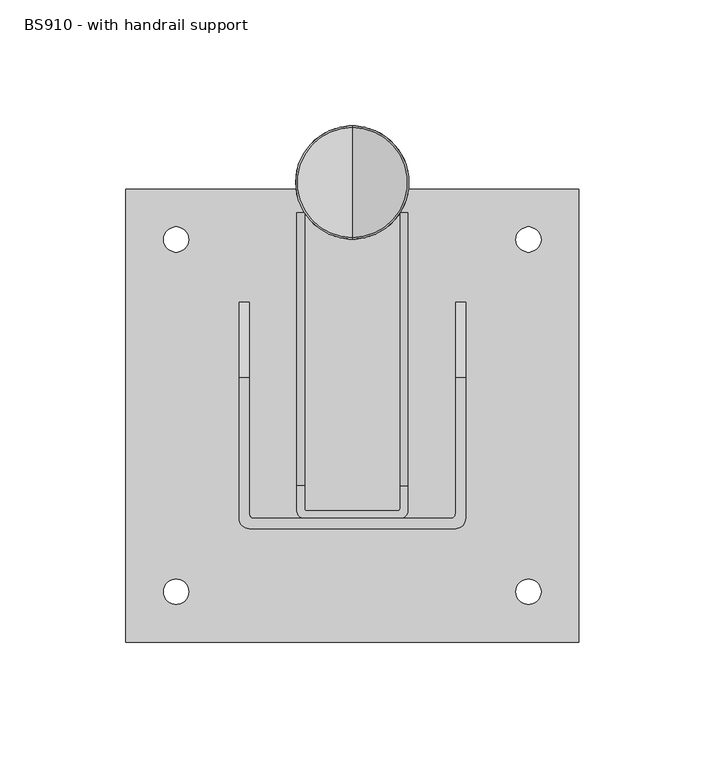
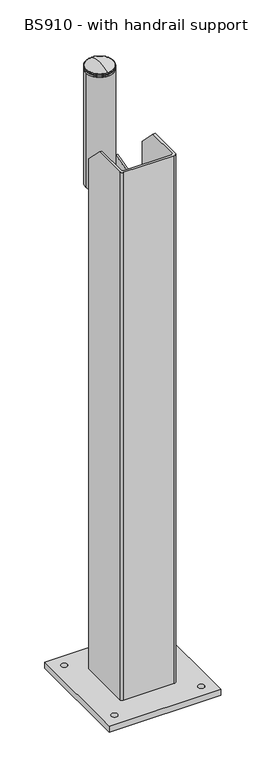
"""IFC4 building model written with IfcOpenShell, lengths in millimetres: proxy geometry, BS910 - with handrail support."""

import ifcopenshell
import ifcopenshell.guid

model = None  # the IFC model being written
_history = None  # IfcOwnerHistory: only IFC2X3 demands one
_inside = {}  # id of a spatial element -> (the spatial element, [elements in it])
_under = {}  # id of a project, library or spatial element -> (it, [spatial elements below it])
_declared = {}  # id of a project -> (the project, [libraries it declares])
_typed = {}  # id of a type object -> (the type object, [elements of that type])
_made_of = {}  # id of a material, layer set ... -> (it, [elements and type objects made of it])


def new_model(schema):
    """Start an empty IFC model of exactly this schema.

    Asked for "IFC4X3", IfcOpenShell would pick the latest addendum, in which some entities
    have other attributes; the version numbers below select the first issue.
    IFC2X3 requires an IfcOwnerHistory on every rooted entity: one is made here for all.
    """
    global model, _history
    if schema == "IFC4X3":
        model = ifcopenshell.file(schema_version=(4, 3, 0, 0))
    else:
        model = ifcopenshell.file(schema=schema)
    _inside.clear()
    _under.clear()
    _declared.clear()
    _typed.clear()
    _made_of.clear()
    _history = None
    if model.schema == "IFC2X3":
        org = make("IfcOrganization", Name="unknown")
        user = make(
            "IfcPersonAndOrganization",
            ThePerson=make("IfcPerson", FamilyName="unknown"),
            TheOrganization=org,
        )
        app = make(
            "IfcApplication",
            ApplicationDeveloper=org,
            Version="unknown",
            ApplicationFullName="unknown",
            ApplicationIdentifier="unknown",
        )
        _history = make(
            "IfcOwnerHistory",
            OwningUser=user,
            OwningApplication=app,
            ChangeAction="ADDED",
            CreationDate=0,
        )
    return model


def make(cls, **values):
    """One entity of the class cls with the attributes given. An attribute that is None is left unset."""
    return model.create_entity(
        cls, **{name: value for name, value in values.items() if value is not None}
    )


def rooted(cls, **values):
    """An entity with a GlobalId (a new one), such as an element, a storey or a relation."""
    return make(cls, GlobalId=ifcopenshell.guid.new(), OwnerHistory=_history, **values)


def si_unit(unit_type, name, prefix=None):
    """IfcSIUnit, for example si_unit("LENGTHUNIT", "METRE", prefix="MILLI")."""
    return make("IfcSIUnit", UnitType=unit_type, Prefix=prefix, Name=name)


def assignment(units):
    """IfcUnitAssignment: the units of a project."""
    return None if units is None else make("IfcUnitAssignment", Units=units)


def point(xyz):
    """IfcCartesianPoint."""
    return None if xyz is None else make("IfcCartesianPoint", Coordinates=xyz)


def direction(xyz):
    """IfcDirection."""
    return None if xyz is None else make("IfcDirection", DirectionRatios=xyz)


def frame(location, z_axis=None, x_axis=None):
    """IfcAxis2Placement3D, a coordinate frame: its origin and axes. An axis left out is left unset."""
    return make(
        "IfcAxis2Placement3D",
        Location=point(location),
        Axis=direction(z_axis),
        RefDirection=direction(x_axis),
    )


def frame_2d(location, x_axis=None):
    """IfcAxis2Placement2D, a coordinate frame in the plane: its origin and x axis."""
    return make(
        "IfcAxis2Placement2D", Location=point(location), RefDirection=direction(x_axis)
    )


def origin():
    """The frame at (0, 0, 0) with its axes left unset."""
    return frame((0.0, 0.0, 0.0))


def origin_with_axes():
    """The frame at (0, 0, 0) with the z axis (0, 0, 1) and the x axis (1, 0, 0) written out."""
    return frame((0.0, 0.0, 0.0), z_axis=(0.0, 0.0, 1.0), x_axis=(1.0, 0.0, 0.0))


def place(relative_to, where):
    """IfcLocalPlacement: puts the frame where relative to a parent placement (None: the world)."""
    return make(
        "IfcLocalPlacement", PlacementRelTo=relative_to, RelativePlacement=where
    )


def context(
    kind, dimensions, precision=None, world=None, true_north=None, identifier=None
):
    """IfcGeometricRepresentationContext, for example the 3D "Model" context."""
    return make(
        "IfcGeometricRepresentationContext",
        ContextIdentifier=identifier,
        ContextType=kind,
        CoordinateSpaceDimension=dimensions,
        Precision=precision,
        WorldCoordinateSystem=world,
        TrueNorth=true_north,
    )


def project(units=None, contexts=None):
    """IfcProject with its units and contexts."""
    return rooted(
        "IfcProject",
        Name="project",
        RepresentationContexts=contexts,
        UnitsInContext=assignment(units),
    )


def spatial(cls, under=None, at=None, **own):
    """A site, building, storey or space (cls), placed at a placement, below another one or the project."""
    s = rooted(cls, ObjectPlacement=at, **own)
    if under is not None:
        _under.setdefault(under.id(), (under, []))[1].append(s)
    return s


def polyline(points):
    """IfcPolyline through the points."""
    return make("IfcPolyline", Points=[point(p) for p in points])


def circle_curve(where, radius):
    """IfcCircle in the frame where."""
    return make("IfcCircle", Position=where, Radius=radius)


def ellipse_curve(where, semi_axis1, semi_axis2):
    """IfcEllipse in the frame where."""
    return make(
        "IfcEllipse", Position=where, SemiAxis1=semi_axis1, SemiAxis2=semi_axis2
    )


def trimmed(basis, trim1, trim2, sense, master):
    """IfcTrimmedCurve: the piece of a basis curve between two trims."""
    return make(
        "IfcTrimmedCurve",
        BasisCurve=basis,
        Trim1=trim1,
        Trim2=trim2,
        SenseAgreement=sense,
        MasterRepresentation=master,
    )


def segment(curve, same_sense, transition):
    """IfcCompositeCurveSegment."""
    return make(
        "IfcCompositeCurveSegment",
        Transition=transition,
        SameSense=same_sense,
        ParentCurve=curve,
    )


def composite_curve(segments, self_intersect=None):
    """IfcCompositeCurve: segments joined end to end."""
    return make("IfcCompositeCurve", Segments=segments, SelfIntersect=self_intersect)


def outline(outer, holes=None, kind="AREA"):
    """IfcArbitraryClosedProfileDef: a profile drawn as a closed curve; with holes, ...WithVoids."""
    if holes is None:
        return make("IfcArbitraryClosedProfileDef", ProfileType=kind, OuterCurve=outer)
    return make(
        "IfcArbitraryProfileDefWithVoids",
        ProfileType=kind,
        OuterCurve=outer,
        InnerCurves=holes,
    )


def extrude(swept, where, along, depth):
    """IfcExtrudedAreaSolid: the profile swept, set in the frame where, extruded along a direction by depth."""
    return make(
        "IfcExtrudedAreaSolid",
        SweptArea=swept,
        Position=where,
        ExtrudedDirection=direction(along),
        Depth=depth,
    )


def shape(context_of_items, identifier, shape_type, items):
    """IfcShapeRepresentation: the items that make up one representation, for example the "Body"."""
    return make(
        "IfcShapeRepresentation",
        ContextOfItems=context_of_items,
        RepresentationIdentifier=identifier,
        RepresentationType=shape_type,
        Items=items,
    )


def source(mapping_origin, context_of_items, identifier, shape_type, items):
    """IfcRepresentationMap: a shape defined once, which mapped items show again and again."""
    return make(
        "IfcRepresentationMap",
        MappingOrigin=mapping_origin,
        MappedRepresentation=shape(context_of_items, identifier, shape_type, items),
    )


def transform(
    local_origin,
    x_axis=None,
    y_axis=None,
    z_axis=None,
    scale=None,
    scale2=None,
    scale3=None,
    uniform=True,
):
    """IfcCartesianTransformationOperator3D, or its non-uniform kind. x_axis, y_axis, z_axis: its Axis1, 2, 3."""
    if uniform:
        return make(
            "IfcCartesianTransformationOperator3D",
            Axis1=direction(x_axis),
            Axis2=direction(y_axis),
            LocalOrigin=point(local_origin),
            Scale=scale,
            Axis3=direction(z_axis),
        )
    return make(
        "IfcCartesianTransformationOperator3DnonUniform",
        Axis1=direction(x_axis),
        Axis2=direction(y_axis),
        LocalOrigin=point(local_origin),
        Scale=scale,
        Axis3=direction(z_axis),
        Scale2=scale2,
        Scale3=scale3,
    )


def mapped(mapping_source, mapping_target):
    """IfcMappedItem: shows the shape of a source again, moved by a transform."""
    return make(
        "IfcMappedItem", MappingSource=mapping_source, MappingTarget=mapping_target
    )


def made_of(thing, what):
    """Note that an element or type object is made of a material, layer set ...; save() writes the relation."""
    if what is not None:
        _made_of.setdefault(what.id(), (what, []))[1].append(thing)
    return thing


def element(
    cls,
    number,
    at=None,
    inside=None,
    cuts=None,
    type_object=None,
    material=None,
    context=None,
    identifier="Body",
    shape_type=None,
    held_by="IfcProductDefinitionShape",
    body=None,
    shapes=None,
    **own,
):
    """One element of the class cls, such as IfcWall. Its Tag is "e" and its number.

    at: its placement. inside: the storey or other place that contains it. cuts: it is an
    opening in that element (IfcRelVoidsElement). A single representation is given by context,
    identifier, shape_type and body (its items); several are given by shapes. held_by: the class
    of the entity that holds the representations. save() writes the other relations.
    """
    e = rooted(cls, Tag="e%d" % number, ObjectPlacement=at, **own)
    if body is not None:
        shapes = [shape(context, identifier, shape_type, body)]
    if shapes is not None:
        e.Representation = make(held_by, Representations=shapes)
    if inside is not None:
        _inside.setdefault(inside.id(), (inside, []))[1].append(e)
    if cuts is not None:
        rooted(
            "IfcRelVoidsElement", RelatingBuildingElement=cuts, RelatedOpeningElement=e
        )
    if type_object is not None:
        _typed.setdefault(type_object.id(), (type_object, []))[1].append(e)
    return made_of(e, material)


def aggregate(whole, parts):
    """IfcRelAggregates: a whole, such as a stair, and the parts it consists of."""
    return rooted("IfcRelAggregates", RelatingObject=whole, RelatedObjects=parts)


def save(model, path):
    """Write the relations noted so far, then the file.

    IfcRelAggregates (storeys below a building ...), IfcRelContainedInSpatialStructure (elements
    in a storey), IfcRelDefinesByType, IfcRelAssociatesMaterial and IfcRelDeclares: one each for
    every whole, place, type object, material and project.
    """
    for whole, parts in _under.values():
        aggregate(whole, parts)
    for where, things in _inside.values():
        rooted(
            "IfcRelContainedInSpatialStructure",
            RelatedElements=things,
            RelatingStructure=where,
        )
    for kind, things in _typed.values():
        rooted("IfcRelDefinesByType", RelatedObjects=things, RelatingType=kind)
    for what, things in _made_of.values():
        rooted("IfcRelAssociatesMaterial", RelatedObjects=things, RelatingMaterial=what)
    for by, libraries in _declared.values():
        rooted("IfcRelDeclares", RelatingContext=by, RelatedDefinitions=libraries)
    model.write(path)


def plane_surface(at):
    """IfcPlane: the flat surface through the origin of the frame at, square to its z axis."""
    return make("IfcPlane", Position=at)


def cylinder_surface(at, radius):
    """IfcCylindricalSurface: all points at the distance radius from the z axis of the frame at."""
    return make("IfcCylindricalSurface", Position=at, Radius=radius)


def revolved_surface(curve, axis_point, axis_direction):
    """IfcSurfaceOfRevolution: the curve turned about the line through axis_point along axis_direction."""
    return make(
        "IfcSurfaceOfRevolution",
        SweptCurve=make("IfcArbitraryOpenProfileDef", ProfileType="CURVE", Curve=curve),
        AxisPosition=make("IfcAxis1Placement", Location=point(axis_point), Axis=direction(axis_direction)),
    )


def advanced_brep(points, edges, surfaces, faces):
    """IfcAdvancedBrep: a solid bounded by faces that lie on surfaces and meet in shared edges.

    An edge is (start, end): straight between two places in points (the first is 0);
    or (start, end, curve); or (start, end, curve, False) where it runs against its curve.
    A face is (place in surfaces, loops), or (place, loops, False) where it looks against
    its surface's normal. A loop lists edges by number (the first is 1), with a minus sign
    where the edge is run from its end to its start. The first loop is the outer one.
    """
    corners = [point(p) for p in points]
    vertices = [make("IfcVertexPoint", VertexGeometry=c) for c in corners]
    made = []
    for start, end, *more in edges:
        made.append(
            make(
                "IfcEdgeCurve",
                EdgeStart=vertices[start],
                EdgeEnd=vertices[end],
                EdgeGeometry=more[0] if more else make("IfcPolyline", Points=[corners[start], corners[end]]),
                SameSense=more[1] if len(more) > 1 else True,
            )
        )
    hull = []
    for where, loops, *sense in faces:
        bounds = []
        for j, loop in enumerate(loops):
            ring = [make("IfcOrientedEdge", EdgeElement=made[abs(k) - 1], Orientation=k > 0) for k in loop]
            bounds.append(
                make(
                    "IfcFaceOuterBound" if j == 0 else "IfcFaceBound",
                    Bound=make("IfcEdgeLoop", EdgeList=ring),
                    Orientation=True,
                )
            )
        hull.append(make("IfcAdvancedFace", Bounds=bounds, FaceSurface=surfaces[where], SameSense=sense[0] if sense else True))
    return make("IfcAdvancedBrep", Outer=make("IfcClosedShell", CfsFaces=hull))


def bs910_with_handrail_support_fdf83152(model_context):
    return source(origin(), model_context, "Body", "SolidModel", [
        advanced_brep(
        [(0.0, 70.0, 990.0), (0.0, 115.0, 990.0), (0.0, 92.5, 990.0), (0.0, 70.0, 992.0), (0.0, 115.0, 992.0), (0.0, 71.0, 992.0), (0.0, 114.0, 992.0), (0.0, 71.0, 993.0), (0.0, 114.0, 993.0), (0.0, 70.0, 993.0), (0.0, 115.0, 993.0), (0.0, 70.0, 994.3593724), (0.0, 115.0, 994.3593724), (0.0, 70.58753, 995.2703436), (0.0, 114.41247, 995.2703436), (0.0, 92.5, 1000.0)],
        [
            (0, 1, circle_curve(frame((0.0, 92.5, 990.0), z_axis=(0.0, 0.0, -1.0), x_axis=(0.0, 1.0, 0.0)), 22.5)),
            (1, 2),
            (2, 0),
            (1, 0, circle_curve(frame((0.0, 92.5, 990.0), z_axis=(0.0, 0.0, -1.0), x_axis=(0.0, 1.0, 0.0)), 22.5)),
            (3, 4, circle_curve(frame((0.0, 92.5, 992.0), z_axis=(0.0, 0.0, -1.0), x_axis=(0.0, 1.0, 0.0)), 22.5)),
            (4, 1),
            (0, 3),
            (4, 3, circle_curve(frame((0.0, 92.5, 992.0), z_axis=(0.0, 0.0, -1.0), x_axis=(0.0, 1.0, 0.0)), 22.5)),
            (5, 6, circle_curve(frame((0.0, 92.5, 992.0), z_axis=(0.0, 0.0, -1.0), x_axis=(0.0, 1.0, 0.0)), 21.5)),
            (6, 4),
            (3, 5),
            (6, 5, circle_curve(frame((0.0, 92.5, 992.0), z_axis=(0.0, 0.0, -1.0), x_axis=(0.0, 1.0, 0.0)), 21.5)),
            (7, 8, circle_curve(frame((0.0, 92.5, 993.0), z_axis=(0.0, 0.0, -1.0), x_axis=(0.0, 1.0, 0.0)), 21.5)),
            (8, 6),
            (5, 7),
            (8, 7, circle_curve(frame((0.0, 92.5, 993.0), z_axis=(0.0, 0.0, -1.0), x_axis=(0.0, 1.0, 0.0)), 21.5)),
            (9, 10, circle_curve(frame((0.0, 92.5, 993.0), z_axis=(0.0, 0.0, -1.0), x_axis=(0.0, 1.0, 0.0)), 22.5)),
            (10, 8),
            (7, 9),
            (10, 9, circle_curve(frame((0.0, 92.5, 993.0), z_axis=(0.0, 0.0, -1.0), x_axis=(0.0, 1.0, 0.0)), 22.5)),
            (11, 12, circle_curve(frame((0.0, 92.5, 994.3593724), z_axis=(0.0, 0.0, -1.0), x_axis=(0.0, 1.0, 0.0)), 22.5)),
            (12, 10),
            (9, 11),
            (12, 11, circle_curve(frame((0.0, 92.5, 994.3593724), z_axis=(0.0, 0.0, -1.0), x_axis=(0.0, 1.0, 0.0)), 22.5)),
            (13, 14, circle_curve(frame((0.0, 92.5, 995.2703436), z_axis=(0.0, 0.0, -1.0), x_axis=(0.0, 1.0, 0.0)), 21.91247)),
            (14, 12, circle_curve(frame((0.0, 114.0, 994.3593724), z_axis=(-1.0, 0.0, 0.0), x_axis=(0.0, 1.0, 0.0)), 1.0)),
            (11, 13, circle_curve(frame((0.0, 71.0, 994.3593724), z_axis=(-1.0, 0.0, 0.0), x_axis=(0.0, -1.0, 0.0)), 1.0)),
            (14, 13, circle_curve(frame((0.0, 92.5, 995.2703436), z_axis=(0.0, 0.0, -1.0), x_axis=(0.0, 1.0, 0.0)), 21.91247)),
            (15, 14, circle_curve(frame((0.0, 92.5, 946.875), z_axis=(-1.0, 0.0, 0.0), x_axis=(0.0, 1.0, 0.0)), 53.125)),
            (13, 15, circle_curve(frame((0.0, 92.5, 946.875), z_axis=(-1.0, 0.0, 0.0), x_axis=(0.0, -1.0, 0.0)), 53.125)),
        ],
        [
            plane_surface(frame((0.0, 92.5, 990.0), z_axis=(0.0, 0.0, -1.0), x_axis=(0.0, 1.0, 0.0))),
            cylinder_surface(frame((0.0, 92.5, -304.8), z_axis=(0.0, 0.0, 1.0), x_axis=(0.0, 1.0, 0.0)), 22.5),
            plane_surface(frame((0.0, 92.5, 992.0), z_axis=(0.0, 0.0, 1.0), x_axis=(0.0, 1.0, 0.0))),
            cylinder_surface(frame((0.0, 92.5, -304.8), z_axis=(0.0, 0.0, 1.0), x_axis=(0.0, 1.0, 0.0)), 21.5),
            plane_surface(frame((0.0, 92.5, 993.0), z_axis=(0.0, 0.0, -1.0), x_axis=(0.0, 1.0, 0.0))),
            revolved_surface(trimmed(ellipse_curve(frame((0.0, 114.0, 994.3593724), z_axis=(1.0, 0.0, 0.0), x_axis=(0.0, 1.0, 0.0)), 1.0, 1.0), [point((0.0, 115.0, 994.3593724))], [point((0.0, 114.41247, 995.2703436))], True, "CARTESIAN"), (0.0, 92.5, -304.8), (0.0, 0.0, 1.0)),
            revolved_surface(trimmed(ellipse_curve(frame((0.0, 92.5, 946.875), z_axis=(1.0, 0.0, 0.0), x_axis=(0.0, 1.0, 0.0)), 53.125, 53.125), [point((0.0, 114.41247, 995.2703436))], [point((0.0, 92.5, 1000.0))], True, "CARTESIAN"), (0.0, 92.5, -304.8), (0.0, 0.0, 1.0)),
        ],
        [
            (0, [[1, 2, 3]]),
            (0, [[4, -3, -2]]),
            (1, [[5, 6, -1, 7]]),
            (1, [[8, -7, -4, -6]]),
            (2, [[9, 10, -5, 11]]),
            (2, [[12, -11, -8, -10]]),
            (3, [[13, 14, -9, 15]]),
            (3, [[16, -15, -12, -14]]),
            (4, [[17, 18, -13, 19]]),
            (4, [[20, -19, -16, -18]]),
            (1, [[21, 22, -17, 23]]),
            (1, [[24, -23, -20, -22]]),
            (5, [[25, 26, -21, 27]]),
            (5, [[28, -27, -24, -26]]),
            (6, [[29, -25, 30]]),
            (6, [[-30, -28, -29]]),
        ],
    ),
        advanced_brep(
        [(22.0, -28.0, 715.0), (22.0, 80.4480292, 795.002509), (22.0, 80.4480292, 843.0), (22.0, -28.0, 815.0), (22.0, -38.0, 815.0), (22.0, -38.0, 715.0), (22.0, 65.0, 807.3870968), (22.0, 55.0, 807.3870968), (22.0, 47.0246546, 795.207864), (22.0, 31.0246546, 795.207864), (22.0, 9.0, 779.516129), (22.0, -15.0, 779.516129), (19.0, -28.0, 815.0), (19.0, 80.4480292, 843.0), (19.0, 80.4480292, 795.002509), (19.0, -28.0, 715.0), (19.0, -37.0, 715.0), (19.0, -37.0, 815.0), (19.0, 65.0, 807.3870968), (19.0, 55.0, 807.3870968), (19.0, 47.0246546, 795.207864), (19.0, 31.0246546, 795.207864), (19.0, 9.0, 779.516129), (19.0, -15.0, 779.516129), (19.0, -41.0, 815.0), (18.0, -38.0, 815.0), (-18.0, -38.0, 815.0), (-19.0, -37.0, 815.0), (-19.0, -28.0, 815.0), (-22.0, -28.0, 815.0), (-22.0, -38.0, 815.0), (-19.0, -41.0, 815.0), (19.0, -41.0, 715.0), (-19.0, -41.0, 715.0), (-22.0, -38.0, 715.0), (-22.0, -28.0, 715.0), (-19.0, -28.0, 715.0), (-19.0, -37.0, 715.0), (-18.0, -38.0, 715.0), (18.0, -38.0, 715.0), (-22.0, 80.4480292, 843.0), (-22.0, 80.4480292, 795.002509), (-22.0, 9.0, 779.516129), (-22.0, -15.0, 779.516129), (-22.0, 47.0246546, 795.207864), (-22.0, 31.0246546, 795.207864), (-22.0, 65.0, 807.3870968), (-22.0, 55.0, 807.3870968), (-19.0, 80.4480292, 795.002509), (-19.0, 80.4480292, 843.0), (-19.0, 9.0, 779.516129), (-19.0, -15.0, 779.516129), (-19.0, 47.0246546, 795.207864), (-19.0, 31.0246546, 795.207864), (-19.0, 65.0, 807.3870968), (-19.0, 55.0, 807.3870968)],
        [
            (0, 1),
            (1, 2),
            (2, 3),
            (3, 4),
            (4, 5),
            (5, 0),
            (6, 7, circle_curve(frame((22.0, 60.0, 807.3870968), z_axis=(-1.0, 0.0, 0.0), x_axis=(0.0, -1.0, 0.0)), 5.0)),
            (7, 6, circle_curve(frame((22.0, 60.0, 807.3870968), z_axis=(-1.0, 0.0, 0.0), x_axis=(0.0, -1.0, 0.0)), 5.0)),
            (8, 9, circle_curve(frame((22.0, 39.0246546, 795.207864), z_axis=(-1.0, 0.0, 0.0), x_axis=(0.0, -1.0, 0.0)), 8.0)),
            (9, 8, circle_curve(frame((22.0, 39.0246546, 795.207864), z_axis=(-1.0, 0.0, 0.0), x_axis=(0.0, -1.0, 0.0)), 8.0)),
            (10, 11, circle_curve(frame((22.0, -3.0, 779.516129), z_axis=(-1.0, 0.0, 0.0), x_axis=(0.0, -1.0, 0.0)), 12.0)),
            (11, 10, circle_curve(frame((22.0, -3.0, 779.516129), z_axis=(-1.0, 0.0, 0.0), x_axis=(0.0, -1.0, 0.0)), 12.0)),
            (12, 13),
            (13, 14),
            (14, 15),
            (15, 16),
            (16, 17),
            (17, 12),
            (18, 19, circle_curve(frame((19.0, 60.0, 807.3870968), z_axis=(1.0, 0.0, 0.0), x_axis=(0.0, -1.0, 0.0)), 5.0)),
            (19, 18, circle_curve(frame((19.0, 60.0, 807.3870968), z_axis=(1.0, 0.0, 0.0), x_axis=(0.0, -1.0, 0.0)), 5.0)),
            (20, 21, circle_curve(frame((19.0, 39.0246546, 795.207864), z_axis=(1.0, 0.0, 0.0), x_axis=(0.0, -1.0, 0.0)), 8.0)),
            (21, 20, circle_curve(frame((19.0, 39.0246546, 795.207864), z_axis=(1.0, 0.0, 0.0), x_axis=(0.0, -1.0, 0.0)), 8.0)),
            (22, 23, circle_curve(frame((19.0, -3.0, 779.516129), z_axis=(1.0, 0.0, 0.0), x_axis=(0.0, -1.0, 0.0)), 12.0)),
            (23, 22, circle_curve(frame((19.0, -3.0, 779.516129), z_axis=(1.0, 0.0, 0.0), x_axis=(0.0, -1.0, 0.0)), 12.0)),
            (0, 15),
            (14, 1),
            (13, 2),
            (12, 3),
            (6, 18),
            (19, 7),
            (8, 20),
            (21, 9),
            (10, 22),
            (23, 11),
            (24, 4, circle_curve(frame((19.0, -38.0, 815.0), z_axis=(0.0, 0.0, 1.0), x_axis=(-1.0, 0.0, 0.0)), 3.0)),
            (17, 25, circle_curve(frame((18.0, -37.0, 815.0), z_axis=(0.0, 0.0, -1.0), x_axis=(-1.0, 0.0, 0.0)), 1.0)),
            (25, 26),
            (26, 27, circle_curve(frame((-18.0, -37.0, 815.0), z_axis=(0.0, 0.0, -1.0), x_axis=(-1.0, 0.0, 0.0)), 1.0)),
            (27, 28),
            (28, 29),
            (29, 30),
            (30, 31, circle_curve(frame((-19.0, -38.0, 815.0), z_axis=(0.0, 0.0, 1.0), x_axis=(-1.0, 0.0, 0.0)), 3.0)),
            (31, 24),
            (32, 33),
            (33, 34, circle_curve(frame((-19.0, -38.0, 715.0), z_axis=(0.0, 0.0, -1.0), x_axis=(-1.0, 0.0, 0.0)), 3.0)),
            (34, 35),
            (35, 36),
            (36, 37),
            (37, 38, circle_curve(frame((-18.0, -37.0, 715.0), z_axis=(0.0, 0.0, 1.0), x_axis=(-1.0, 0.0, 0.0)), 1.0)),
            (38, 39),
            (39, 16, circle_curve(frame((18.0, -37.0, 715.0), z_axis=(0.0, 0.0, 1.0), x_axis=(-1.0, 0.0, 0.0)), 1.0)),
            (5, 32, circle_curve(frame((19.0, -38.0, 715.0), z_axis=(0.0, 0.0, -1.0), x_axis=(-1.0, 0.0, 0.0)), 3.0)),
            (31, 33),
            (32, 24),
            (30, 34),
            (29, 40),
            (40, 41),
            (41, 35),
            (42, 43, circle_curve(frame((-22.0, -3.0, 779.516129), z_axis=(1.0, 0.0, 0.0), x_axis=(0.0, -1.0, 0.0)), 12.0)),
            (43, 42, circle_curve(frame((-22.0, -3.0, 779.516129), z_axis=(1.0, 0.0, 0.0), x_axis=(0.0, -1.0, 0.0)), 12.0)),
            (44, 45, circle_curve(frame((-22.0, 39.0246546, 795.207864), z_axis=(1.0, 0.0, 0.0), x_axis=(0.0, -1.0, 0.0)), 8.0)),
            (45, 44, circle_curve(frame((-22.0, 39.0246546, 795.207864), z_axis=(1.0, 0.0, 0.0), x_axis=(0.0, -1.0, 0.0)), 8.0)),
            (46, 47, circle_curve(frame((-22.0, 60.0, 807.3870968), z_axis=(1.0, 0.0, 0.0), x_axis=(0.0, -1.0, 0.0)), 5.0)),
            (47, 46, circle_curve(frame((-22.0, 60.0, 807.3870968), z_axis=(1.0, 0.0, 0.0), x_axis=(0.0, -1.0, 0.0)), 5.0)),
            (27, 37),
            (36, 48),
            (48, 49),
            (49, 28),
            (50, 51, circle_curve(frame((-19.0, -3.0, 779.516129), z_axis=(-1.0, 0.0, 0.0), x_axis=(0.0, -1.0, 0.0)), 12.0)),
            (51, 50, circle_curve(frame((-19.0, -3.0, 779.516129), z_axis=(-1.0, 0.0, 0.0), x_axis=(0.0, -1.0, 0.0)), 12.0)),
            (52, 53, circle_curve(frame((-19.0, 39.0246546, 795.207864), z_axis=(-1.0, 0.0, 0.0), x_axis=(0.0, -1.0, 0.0)), 8.0)),
            (53, 52, circle_curve(frame((-19.0, 39.0246546, 795.207864), z_axis=(-1.0, 0.0, 0.0), x_axis=(0.0, -1.0, 0.0)), 8.0)),
            (54, 55, circle_curve(frame((-19.0, 60.0, 807.3870968), z_axis=(-1.0, 0.0, 0.0), x_axis=(0.0, -1.0, 0.0)), 5.0)),
            (55, 54, circle_curve(frame((-19.0, 60.0, 807.3870968), z_axis=(-1.0, 0.0, 0.0), x_axis=(0.0, -1.0, 0.0)), 5.0)),
            (26, 38),
            (25, 39),
            (41, 48),
            (40, 49),
            (50, 42),
            (43, 51),
            (52, 44),
            (45, 53),
            (54, 46),
            (47, 55),
        ],
        [
            plane_surface(frame((22.0, -28.0, 815.0), z_axis=(1.0, 0.0, 0.0), x_axis=(0.0, 0.0, 1.0))),
            plane_surface(frame((19.0, -28.0, 815.0), z_axis=(-1.0, 0.0, 0.0), x_axis=(0.0, 0.0, 1.0))),
            plane_surface(frame((22.0, -28.0, 715.0), z_axis=(0.0, 0.5936482974620878, -0.8047246106093465), x_axis=(-1.0, 0.0, 0.0))),
            plane_surface(frame((22.0, 80.4480292, 795.002509), z_axis=(0.0, 1.0, 0.0), x_axis=(-1.0, 0.0, 0.0))),
            plane_surface(frame((22.0, 80.4480292, 843.0), z_axis=(0.0, -0.24999028437965998, 0.9682483450622452), x_axis=(-1.0, 0.0, 0.0))),
            revolved_surface(polyline([(19.0, 55.0, 807.3870968), (22.0, 55.0, 807.3870968)]), (22.0, 60.0, 807.3870968), (-1.0, 0.0, 0.0)),
            revolved_surface(polyline([(19.0, 31.024654599999998, 795.207864), (22.0, 31.024654599999998, 795.207864)]), (22.0, 39.0246546, 795.207864), (-1.0, 0.0, 0.0)),
            revolved_surface(polyline([(19.0, -15.0, 779.516129), (22.0, -15.0, 779.516129)]), (22.0, -3.0, 779.516129), (-1.0, 0.0, 0.0)),
            plane_surface(frame((-19.0, -41.0, 815.0), z_axis=(0.0, 0.0, 1.0), x_axis=(1.0, 0.0, 0.0))),
            plane_surface(frame((-19.0, -41.0, 715.0), z_axis=(0.0, 0.0, -1.0), x_axis=(-1.0, 0.0, 0.0))),
            plane_surface(frame((19.0, -41.0, 715.0), z_axis=(0.0, -1.0, 0.0), x_axis=(0.0, 0.0, 1.0))),
            cylinder_surface(frame((-19.0, -38.0, 815.0), z_axis=(0.0, 0.0, -1.0), x_axis=(-1.0, 0.0, 0.0)), 3.0),
            plane_surface(frame((-22.0, -38.0, 715.0), z_axis=(-1.0, 0.0, 0.0), x_axis=(0.0, 0.0, 1.0))),
            plane_surface(frame((-19.0, -28.0, 715.0), z_axis=(1.0, 0.0, 0.0), x_axis=(0.0, 0.0, 1.0))),
            revolved_surface(polyline([(-19.0, -37.0, 815.0), (-19.0, -37.0, 715.0)]), (-18.0, -37.0, 815.0), (0.0, 0.0, 1.0)),
            plane_surface(frame((-18.0, -38.0, 715.0), z_axis=(0.0, 1.0, 0.0), x_axis=(0.0, 0.0, 1.0))),
            revolved_surface(polyline([(17.0, -37.0, 815.0), (17.0, -37.0, 715.0)]), (18.0, -37.0, 815.0), (0.0, 0.0, 1.0)),
            cylinder_surface(frame((19.0, -38.0, 815.0), z_axis=(0.0, 0.0, -1.0), x_axis=(-1.0, 0.0, 0.0)), 3.0),
            plane_surface(frame((-19.0, -28.0, 715.0), z_axis=(0.0, 0.5936482974620859, -0.804724610609348), x_axis=(-1.0, 0.0, 0.0))),
            plane_surface(frame((-19.0, 80.4480292, 795.002509), z_axis=(0.0, 1.0, 0.0), x_axis=(-1.0, 0.0, 0.0))),
            plane_surface(frame((-19.0, 80.4480292, 843.0), z_axis=(0.0, -0.24999028437965878, 0.9682483450622456), x_axis=(-1.0, 0.0, 0.0))),
            revolved_surface(polyline([(-22.0, -15.0, 779.516129), (-19.0, -15.0, 779.516129)]), (-19.0, -3.0, 779.516129), (-1.0, 0.0, 0.0)),
            revolved_surface(polyline([(-22.0, 31.024654599999998, 795.207864), (-19.0, 31.024654599999998, 795.207864)]), (-19.0, 39.0246546, 795.207864), (-1.0, 0.0, 0.0)),
            revolved_surface(polyline([(-22.0, 55.0, 807.3870968), (-19.0, 55.0, 807.3870968)]), (-19.0, 60.0, 807.3870968), (-1.0, 0.0, 0.0)),
        ],
        [
            (0, [[1, 2, 3, 4, 5, 6], [7, 8], [9, 10], [11, 12]]),
            (1, [[13, 14, 15, 16, 17, 18], [19, 20], [21, 22], [23, 24]]),
            (2, [[-1, 25, -15, 26]]),
            (3, [[-2, -26, -14, 27]]),
            (4, [[-3, -27, -13, 28]]),
            (5, [[-7, 29, -20, 30]]),
            (5, [[-8, -30, -19, -29]]),
            (6, [[-9, 31, -22, 32]]),
            (6, [[-10, -32, -21, -31]]),
            (7, [[-11, 33, -24, 34]]),
            (7, [[-12, -34, -23, -33]]),
            (8, [[35, -4, -28, -18, 36, 37, 38, 39, 40, 41, 42, 43]]),
            (9, [[44, 45, 46, 47, 48, 49, 50, 51, -16, -25, -6, 52]]),
            (10, [[-43, 53, -44, 54]]),
            (11, [[-42, 55, -45, -53]]),
            (12, [[-41, 56, 57, 58, -46, -55], [59, 60], [61, 62], [63, 64]]),
            (13, [[-39, 65, -48, 66, 67, 68], [69, 70], [71, 72], [73, 74]]),
            (14, [[-38, 75, -49, -65]]),
            (15, [[-37, 76, -50, -75]]),
            (16, [[-36, -17, -51, -76]]),
            (17, [[-35, -54, -52, -5]]),
            (18, [[-66, -47, -58, 77]]),
            (19, [[-67, -77, -57, 78]]),
            (20, [[-68, -78, -56, -40]]),
            (21, [[-69, 79, -60, 80]]),
            (21, [[-70, -80, -59, -79]]),
            (22, [[-71, 81, -62, 82]]),
            (22, [[-72, -82, -61, -81]]),
            (23, [[-73, 83, -64, 84]]),
            (23, [[-74, -84, -63, -83]]),
        ],
    ),
        extrude(outline(composite_curve([segment(trimmed(circle_curve(frame_2d((0.0, 92.5)), 22.5), [point((22.5, 92.5))], [point((-22.5, 92.5))], False, "CARTESIAN"), True, "CONTINUOUS"), segment(trimmed(circle_curve(frame_2d((0.0, 92.5)), 22.5), [point((-22.5, 92.5))], [point((22.5, 92.5))], False, "CARTESIAN"), True, "CONTINUOUS")], self_intersect=False)), frame((0.0, 0.0, 795.0), z_axis=(0.0, 0.0, 1.0), x_axis=(1.0, 0.0, 0.0)), (0.0, 0.0, 1.0), 195.0),
        advanced_brep(
        [(41.0, -45.0, 910.0), (45.0, -41.0, 910.0), (45.0, 15.0, 910.0), (41.0, 15.0, 910.0), (41.0, -39.0, 910.0), (39.0, -41.0, 910.0), (-39.0, -41.0, 910.0), (-41.0, -39.0, 910.0), (-41.0, 15.0, 910.0), (-45.0, 15.0, 910.0), (-45.0, -41.0, 910.0), (-41.0, -45.0, 910.0), (41.0, -45.0, 10.0), (-41.0, -45.0, 10.0), (-45.0, -41.0, 10.0), (-45.0, 45.0, 10.0), (-41.0, 45.0, 10.0), (-41.0, -39.0, 10.0), (-39.0, -41.0, 10.0), (39.0, -41.0, 10.0), (41.0, -39.0, 10.0), (41.0, 45.0, 10.0), (45.0, 45.0, 10.0), (45.0, -41.0, 10.0), (45.0, 45.0, 880.0), (41.0, 45.0, 880.0), (-41.0, 45.0, 880.0), (-45.0, 45.0, 880.0)],
        [
            (0, 1, circle_curve(frame((41.0, -41.0, 910.0), z_axis=(0.0, 0.0, 1.0), x_axis=(-1.0, 0.0, 0.0)), 4.0)),
            (1, 2),
            (2, 3),
            (3, 4),
            (4, 5, circle_curve(frame((39.0, -39.0, 910.0), z_axis=(0.0, 0.0, -1.0), x_axis=(-1.0, 0.0, 0.0)), 2.0)),
            (5, 6),
            (6, 7, circle_curve(frame((-39.0, -39.0, 910.0), z_axis=(0.0, 0.0, -1.0), x_axis=(-1.0, 0.0, 0.0)), 2.0)),
            (7, 8),
            (8, 9),
            (9, 10),
            (10, 11, circle_curve(frame((-41.0, -41.0, 910.0), z_axis=(0.0, 0.0, 1.0), x_axis=(-1.0, 0.0, 0.0)), 4.0)),
            (11, 0),
            (12, 13),
            (13, 14, circle_curve(frame((-41.0, -41.0, 10.0), z_axis=(0.0, 0.0, -1.0), x_axis=(-1.0, 0.0, 0.0)), 4.0)),
            (14, 15),
            (15, 16),
            (16, 17),
            (17, 18, circle_curve(frame((-39.0, -39.0, 10.0), z_axis=(0.0, 0.0, 1.0), x_axis=(-1.0, 0.0, 0.0)), 2.0)),
            (18, 19),
            (19, 20, circle_curve(frame((39.0, -39.0, 10.0), z_axis=(0.0, 0.0, 1.0), x_axis=(-1.0, 0.0, 0.0)), 2.0)),
            (20, 21),
            (21, 22),
            (22, 23),
            (23, 12, circle_curve(frame((41.0, -41.0, 10.0), z_axis=(0.0, 0.0, -1.0), x_axis=(-1.0, 0.0, 0.0)), 4.0)),
            (0, 12),
            (23, 1),
            (22, 24),
            (24, 2),
            (21, 25),
            (25, 24),
            (20, 4),
            (3, 25),
            (5, 19),
            (18, 6),
            (17, 7),
            (16, 26),
            (26, 8),
            (15, 27),
            (27, 26),
            (14, 10),
            (9, 27),
            (13, 11),
        ],
        [
            plane_surface(frame((37.0, -41.0, 910.0), z_axis=(0.0, 0.0, 1.0), x_axis=(0.0, -1.0, 0.0))),
            plane_surface(frame((37.0, -41.0, 10.0), z_axis=(0.0, 0.0, -1.0), x_axis=(0.0, 1.0, 0.0))),
            cylinder_surface(frame((41.0, -41.0, 10.0), z_axis=(0.0, 0.0, 1.0), x_axis=(-1.0, 0.0, 0.0)), 4.0),
            plane_surface(frame((45.0, -41.0, 910.0), z_axis=(1.0, 0.0, 0.0), x_axis=(0.0, 0.0, -1.0))),
            plane_surface(frame((45.0, 45.0, 910.0), z_axis=(0.0, 1.0, 0.0), x_axis=(0.0, 0.0, -1.0))),
            plane_surface(frame((41.0, 45.0, 910.0), z_axis=(-1.0, 0.0, 0.0), x_axis=(0.0, 0.0, -1.0))),
            plane_surface(frame((39.0, -41.0, 910.0), z_axis=(0.0, 1.0, 0.0), x_axis=(0.0, 0.0, -1.0))),
            revolved_surface(polyline([(-41.0, -39.0, 10.0), (-41.0, -39.0, 910.0)]), (-39.0, -39.0, 10.0), (0.0, 0.0, -1.0)),
            plane_surface(frame((-41.0, -39.0, 910.0), z_axis=(1.0, 0.0, 0.0), x_axis=(0.0, 0.0, -1.0))),
            plane_surface(frame((-41.0, 45.0, 910.0), z_axis=(0.0, 1.0, 0.0), x_axis=(0.0, 0.0, -1.0))),
            plane_surface(frame((-45.0, 45.0, 910.0), z_axis=(-1.0, 0.0, 0.0), x_axis=(0.0, 0.0, -1.0))),
            cylinder_surface(frame((-41.0, -41.0, 10.0), z_axis=(0.0, 0.0, 1.0), x_axis=(-1.0, 0.0, 0.0)), 4.0),
            plane_surface(frame((-41.0, -45.0, 910.0), z_axis=(0.0, -1.0, 0.0), x_axis=(0.0, 0.0, -1.0))),
            plane_surface(frame((45.0, 15.0, 910.0), z_axis=(0.0, 0.7071067811865482, 0.7071067811865469), x_axis=(-1.0, 0.0, 0.0))),
            plane_surface(frame((-41.0, 15.0, 910.0), z_axis=(0.0, 0.7071067811865539, 0.7071067811865411), x_axis=(-1.0, 0.0, 0.0))),
            revolved_surface(polyline([(37.0, -39.0, 10.0), (37.0, -39.0, 910.0)]), (39.0, -39.0, 10.0), (0.0, 0.0, -1.0)),
        ],
        [
            (0, [[1, 2, 3, 4, 5, 6, 7, 8, 9, 10, 11, 12]]),
            (1, [[13, 14, 15, 16, 17, 18, 19, 20, 21, 22, 23, 24]]),
            (2, [[-1, 25, -24, 26]]),
            (3, [[-23, 27, 28, -2, -26]]),
            (4, [[-22, 29, 30, -27]]),
            (5, [[-21, 31, -4, 32, -29]]),
            (6, [[-6, 33, -19, 34]]),
            (7, [[-7, -34, -18, 35]]),
            (8, [[-17, 36, 37, -8, -35]]),
            (9, [[-16, 38, 39, -36]]),
            (10, [[-15, 40, -10, 41, -38]]),
            (11, [[-11, -40, -14, 42]]),
            (12, [[-12, -42, -13, -25]]),
            (13, [[-3, -28, -30, -32]]),
            (14, [[-9, -37, -39, -41]]),
            (15, [[-5, -31, -20, -33]]),
        ],
    ),
        extrude(outline(polyline([(90.0, 90.0), (90.0, -90.0), (-90.0, -90.0), (-90.0, 90.0), (90.0, 90.0)]), holes=[composite_curve([segment(trimmed(circle_curve(frame_2d((-70.0, 70.0)), 5.0), [point((-75.0, 70.0))], [point((-65.0, 70.0))], True, "CARTESIAN"), True, "CONTINUOUS"), segment(trimmed(circle_curve(frame_2d((-70.0, 70.0)), 5.0), [point((-65.0, 70.0))], [point((-75.0, 70.0))], True, "CARTESIAN"), True, "CONTINUOUS")], self_intersect=False), composite_curve([segment(trimmed(circle_curve(frame_2d((70.0, 70.0)), 5.0), [point((65.0, 70.0))], [point((75.0, 70.0))], True, "CARTESIAN"), True, "CONTINUOUS"), segment(trimmed(circle_curve(frame_2d((70.0, 70.0)), 5.0), [point((75.0, 70.0))], [point((65.0, 70.0))], True, "CARTESIAN"), True, "CONTINUOUS")], self_intersect=False), composite_curve([segment(trimmed(circle_curve(frame_2d((-70.0, -70.0)), 5.0), [point((-75.0, -70.0))], [point((-65.0, -70.0))], True, "CARTESIAN"), True, "CONTINUOUS"), segment(trimmed(circle_curve(frame_2d((-70.0, -70.0)), 5.0), [point((-65.0, -70.0))], [point((-75.0, -70.0))], True, "CARTESIAN"), True, "CONTINUOUS")], self_intersect=False), composite_curve([segment(trimmed(circle_curve(frame_2d((70.0, -70.0)), 5.0), [point((65.0, -70.0))], [point((75.0, -70.0))], True, "CARTESIAN"), True, "CONTINUOUS"), segment(trimmed(circle_curve(frame_2d((70.0, -70.0)), 5.0), [point((75.0, -70.0))], [point((65.0, -70.0))], True, "CARTESIAN"), True, "CONTINUOUS")], self_intersect=False)]), origin_with_axes(), (0.0, 0.0, 1.0), 10.0),
    ])


if __name__ == "__main__":
    model = new_model("IFC4")
    model_context = context("Model", 3, world=origin())
    ifc_project = project(units=[si_unit("LENGTHUNIT", "METRE", prefix="MILLI")], contexts=[model_context])
    site = spatial("IfcSite", under=ifc_project)
    building = spatial("IfcBuilding", under=site)
    placement = place(None, origin())
    bs910_with_handrail_support_shape = bs910_with_handrail_support_fdf83152(model_context)
    element("IfcBuildingElementProxy", 1, Name="BS910 - with handrail support", ObjectType="BS910 - with handrail support", at=placement, inside=building, context=model_context, shape_type="MappedRepresentation", body=[
        mapped(bs910_with_handrail_support_shape, transform((0.0, 0.0, 0.0), x_axis=(1.0, 0.0, 0.0), y_axis=(0.0, 1.0, 0.0), z_axis=(0.0, 0.0, 1.0))),
    ])
    save(model, "model.ifc")
